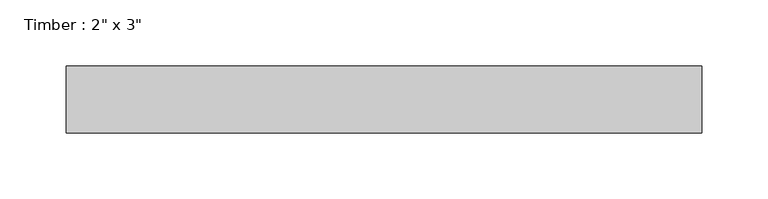
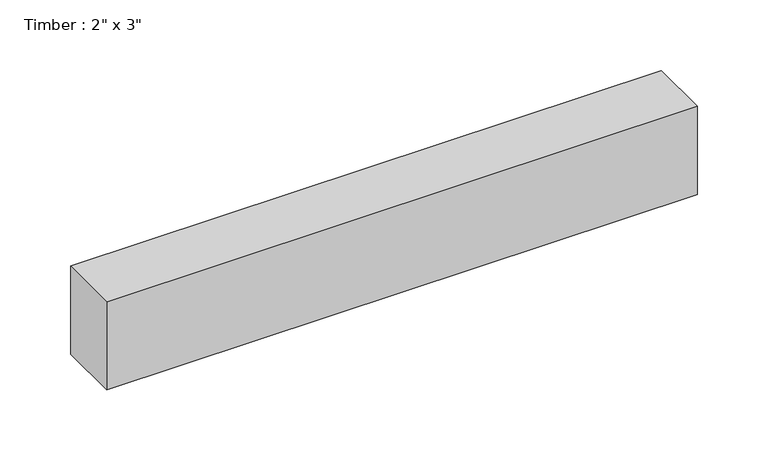
"""IFC4 building model written with IfcOpenShell, lengths in millimetres: beam geometry."""

from ifc_helpers import new_model, si_unit, frame, origin, place, context, project, spatial, polyline, outline, extrude, source, transform, mapped, element, save


def beam_8d3347b7(model_context):
    return source(origin(), model_context, "Body", "SweptSolid", [
        extrude(outline(polyline([(240.9019866, 25.4), (240.9019866, -25.4), (-240.9019866, -25.4), (-240.9019866, 25.4), (240.9019866, 25.4)])), frame((0.0, 0.0, -38.1), z_axis=(0.0, 0.0, 1.0), x_axis=(1.0, 0.0, 0.0)), (0.0, 0.0, 1.0), 76.2),
    ])


if __name__ == "__main__":
    model = new_model("IFC4")
    model_context = context("Model", 3, world=origin())
    ifc_project = project(units=[si_unit("LENGTHUNIT", "METRE", prefix="MILLI")], contexts=[model_context])
    site = spatial("IfcSite", under=ifc_project)
    building = spatial("IfcBuilding", under=site)
    placement = place(None, origin())
    beam_shape = beam_8d3347b7(model_context)
    element("IfcBeam", 1, ObjectType="Timber : 2\" x 3\"", at=placement, inside=building, context=model_context, shape_type="MappedRepresentation", body=[
        mapped(beam_shape, transform((0.0, 0.0, 0.0), x_axis=(1.0, 0.0, 0.0), y_axis=(0.0, 1.0, 0.0), z_axis=(0.0, 0.0, 1.0))),
    ])
    save(model, "model.ifc")
